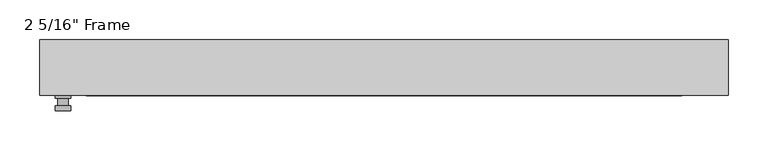
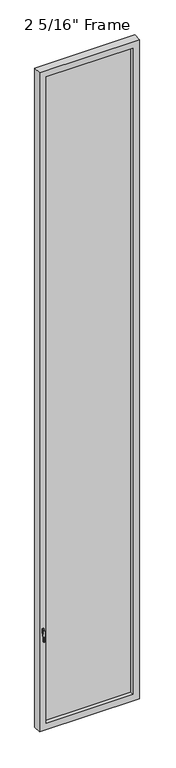
"""IFC4 building model written with IfcOpenShell, lengths in millimetres: plate geometry."""

from ifc_helpers import new_model, si_unit, frame, origin, place, context, project, spatial, polyline, circle_curve, outline, extrude, faceted_brep, source, transform, mapped, element, save
from ifc_brep_helpers import plane_surface, cylinder_surface, advanced_brep


def plate_d2615b57(model_context):
    return source(origin(), model_context, "Body", "SolidModel", [
        advanced_brep(
        [(-394.81125, -34.925, 927.1), (-394.81125, -34.925, 901.7), (-413.86125, -34.925, 901.7), (-413.86125, -34.925, 927.1), (-397.98625, -47.625, 914.4), (-410.68625, -47.625, 914.4), (-410.68625, -38.1, 914.4), (-397.98625, -38.1, 914.4), (-394.81125, -47.625, 914.4), (-397.9902856, -47.625, 825.2736467), (-410.6822144, -47.625, 825.2736467), (-413.86125, -47.625, 914.4), (-394.81125, -53.975, 914.4), (-413.86125, -53.975, 914.4), (-410.6822144, -53.975, 825.2736467), (-397.9902856, -53.975, 825.2736467), (-394.81125, -38.1, 927.1), (-413.86125, -38.1, 927.1), (-413.86125, -38.1, 901.7), (-394.81125, -38.1, 901.7)],
        [
            (0, 1),
            (1, 2, circle_curve(frame((-404.33625, -34.925, 901.7), z_axis=(0.0, 1.0, 0.0), x_axis=(-1.0, 0.0, 0.0)), 9.525)),
            (2, 3),
            (3, 0, circle_curve(frame((-404.33625, -34.925, 927.1), z_axis=(0.0, 1.0, 0.0), x_axis=(-1.0, 0.0, 0.0)), 9.525)),
            (4, 5, circle_curve(frame((-404.33625, -47.625, 914.4), z_axis=(0.0, 1.0, 0.0), x_axis=(-1.0, 0.0, 0.0)), 6.35)),
            (5, 6),
            (6, 7, circle_curve(frame((-404.33625, -38.1, 914.4), z_axis=(0.0, -1.0, 0.0), x_axis=(-1.0, 0.0, 0.0)), 6.35)),
            (7, 4),
            (5, 4, circle_curve(frame((-404.33625, -47.625, 914.4), z_axis=(0.0, 1.0, 0.0), x_axis=(-1.0, 0.0, 0.0)), 6.35)),
            (7, 6, circle_curve(frame((-404.33625, -38.1, 914.4), z_axis=(0.0, -1.0, 0.0), x_axis=(-1.0, 0.0, 0.0)), 6.35)),
            (8, 9),
            (9, 10, circle_curve(frame((-404.33625, -47.625, 825.5), z_axis=(0.0, 1.0, 0.0), x_axis=(-1.0, 0.0, 0.0)), 6.35)),
            (10, 11),
            (11, 8, circle_curve(frame((-404.33625, -47.625, 914.4), z_axis=(0.0, 1.0, 0.0), x_axis=(-1.0, 0.0, 0.0)), 9.525)),
            (12, 13, circle_curve(frame((-404.33625, -53.975, 914.4), z_axis=(0.0, -1.0, 0.0), x_axis=(-1.0, 0.0, 0.0)), 9.525)),
            (13, 14),
            (14, 15, circle_curve(frame((-404.33625, -53.975, 825.5), z_axis=(0.0, -1.0, 0.0), x_axis=(-1.0, 0.0, 0.0)), 6.35)),
            (15, 12),
            (8, 12),
            (15, 9),
            (14, 10),
            (13, 11),
            (16, 17, circle_curve(frame((-404.33625, -38.1, 927.1), z_axis=(0.0, -1.0, 0.0), x_axis=(-1.0, 0.0, 0.0)), 9.525)),
            (17, 18),
            (18, 19, circle_curve(frame((-404.33625, -38.1, 901.7), z_axis=(0.0, -1.0, 0.0), x_axis=(-1.0, 0.0, 0.0)), 9.525)),
            (19, 16),
            (0, 16),
            (19, 1),
            (18, 2),
            (17, 3),
        ],
        [
            plane_surface(frame((-410.68625, -34.925, 914.4), z_axis=(0.0, 1.0, 0.0), x_axis=(0.0, 0.0, 1.0))),
            cylinder_surface(frame((-404.33625, -47.625, 914.4), z_axis=(0.0, 1.0, 0.0), x_axis=(-1.0, 0.0, 0.0)), 6.35),
            plane_surface(frame((-394.81125, -47.625, 914.4), z_axis=(0.0, 1.0000000000000002, 0.0), x_axis=(-0.03564619348186888, 0.0, -0.9993644724975235))),
            plane_surface(frame((-394.81125, -53.975, 914.4), z_axis=(0.0, -1.0000000000000002, 0.0), x_axis=(0.03564619348186888, 0.0, 0.9993644724975235))),
            plane_surface(frame((-394.81125, -47.625, 914.4), z_axis=(0.9993644724975235, 0.0, -0.03564619348186888), x_axis=(0.0, -1.0, 0.0))),
            cylinder_surface(frame((-404.33625, -53.975, 825.5), z_axis=(0.0, 1.0, 0.0), x_axis=(-1.0, 0.0, 0.0)), 6.35),
            plane_surface(frame((-410.6822144, -47.625, 825.2736467), z_axis=(-0.9993644724975228, 0.0, -0.03564619348188612), x_axis=(0.0, -1.0, 0.0))),
            cylinder_surface(frame((-404.33625, -53.975, 914.4), z_axis=(0.0, 1.0, 0.0), x_axis=(-1.0, 0.0, 0.0)), 9.525),
            plane_surface(frame((-394.81125, -38.1, 901.7), z_axis=(0.0, -1.0, 0.0), x_axis=(0.0, 0.0, 1.0))),
            plane_surface(frame((-394.81125, -34.925, 927.1), z_axis=(1.0, 0.0, 0.0), x_axis=(0.0, -1.0, 0.0))),
            cylinder_surface(frame((-404.33625, -38.1, 901.7), z_axis=(0.0, 1.0, 0.0), x_axis=(-1.0, 0.0, 0.0)), 9.525),
            plane_surface(frame((-413.86125, -34.925, 901.7), z_axis=(-1.0, 0.0, 0.0), x_axis=(0.0, -1.0, 0.0))),
            cylinder_surface(frame((-404.33625, -38.1, 927.1), z_axis=(0.0, 1.0, 0.0), x_axis=(-1.0, 0.0, 0.0)), 9.525),
        ],
        [
            (0, [[1, 2, 3, 4]]),
            (1, [[5, 6, 7, 8]]),
            (1, [[9, -8, 10, -6]]),
            (2, [[11, 12, 13, 14], [-5, -9]]),
            (3, [[15, 16, 17, 18]]),
            (4, [[-11, 19, -18, 20]]),
            (5, [[-12, -20, -17, 21]]),
            (6, [[-13, -21, -16, 22]]),
            (7, [[-14, -22, -15, -19]]),
            (8, [[23, 24, 25, 26], [-7, -10]]),
            (9, [[-1, 27, -26, 28]]),
            (10, [[-2, -28, -25, 29]]),
            (11, [[-3, -29, -24, 30]]),
            (12, [[-4, -30, -23, -27]]),
        ],
    ),
        faceted_brep([(-433.705, -34.925, 0.0), (-433.705, 34.925, 0.0), (433.705, 34.925, 0.0), (433.705, -34.925, 0.0), (-374.9675, 34.925, 5967.4125), (-374.9675, 22.225, 5967.4125), (-374.9675, 22.225, 58.7375), (-374.9675, 34.925, 58.7375), (387.6675, 22.225, 5980.1125), (-387.6675, 22.225, 5980.1125), (-387.6675, 22.225, 46.0375), (387.6675, 22.225, 46.0375), (374.9675, 22.225, 5967.4125), (374.9675, 22.225, 58.7375), (-387.6675, -1.5875, 5980.1125), (-387.6675, -1.5875, 46.0375), (387.6675, -1.5875, 5980.1125), (387.6675, -1.5875, 46.0375), (-374.9675, -1.5875, 5967.4125), (-374.9675, -1.5875, 58.7375), (374.9675, -1.5875, 58.7375), (374.9675, -1.5875, 5967.4125), (-374.9675, -34.925, 5967.4125), (-374.9675, -34.925, 58.7375), (433.705, -34.925, 6026.15), (-433.705, -34.925, 6026.15), (374.9675, -34.925, 5967.4125), (374.9675, -34.925, 58.7375), (-433.705, 34.925, 6026.15), (433.705, 34.925, 6026.15), (374.9675, 34.925, 58.7375), (374.9675, 34.925, 5967.4125)], [[[0, 1, 2, 3]], [[4, 5, 6, 7]], [[8, 9, 10, 11], [5, 12, 13, 6]], [[10, 9, 14, 15]], [[14, 16, 17, 15], [18, 19, 20, 21]], [[18, 22, 23, 19]], [[0, 3, 24, 25], [22, 26, 27, 23]], [[1, 0, 25, 28]], [[2, 1, 28, 29], [4, 7, 30, 31]], [[5, 4, 31, 12]], [[9, 8, 16, 14]], [[18, 21, 26, 22]], [[25, 24, 29, 28]], [[12, 31, 30, 13]], [[17, 16, 8, 11]], [[26, 21, 20, 27]], [[24, 3, 2, 29]], [[23, 27, 20, 19]], [[11, 10, 15, 17]], [[6, 13, 30, 7]]]),
        extrude(outline(polyline([(387.6675, -1.5875), (-387.6675, -1.5875), (-387.6675, 22.225), (387.6675, 22.225), (387.6675, -1.5875)])), frame((0.0, 0.0, 46.0375), z_axis=(0.0, 0.0, 1.0), x_axis=(1.0, 0.0, 0.0)), (0.0, 0.0, 1.0), 5934.075),
    ])


if __name__ == "__main__":
    model = new_model("IFC4")
    model_context = context("Model", 3, world=origin())
    ifc_project = project(units=[si_unit("LENGTHUNIT", "METRE", prefix="MILLI")], contexts=[model_context])
    site = spatial("IfcSite", under=ifc_project)
    building = spatial("IfcBuilding", under=site)
    placement = place(None, origin())
    plate_shape = plate_d2615b57(model_context)
    element("IfcPlate", 1, ObjectType="2 5/16\" Frame", at=placement, inside=building, context=model_context, shape_type="MappedRepresentation", body=[
        mapped(plate_shape, transform((0.0, 0.0, 0.0), x_axis=(1.0, 0.0, 0.0), y_axis=(0.0, 1.0, 0.0), z_axis=(0.0, 0.0, 1.0))),
    ])
    save(model, "model.ifc")
